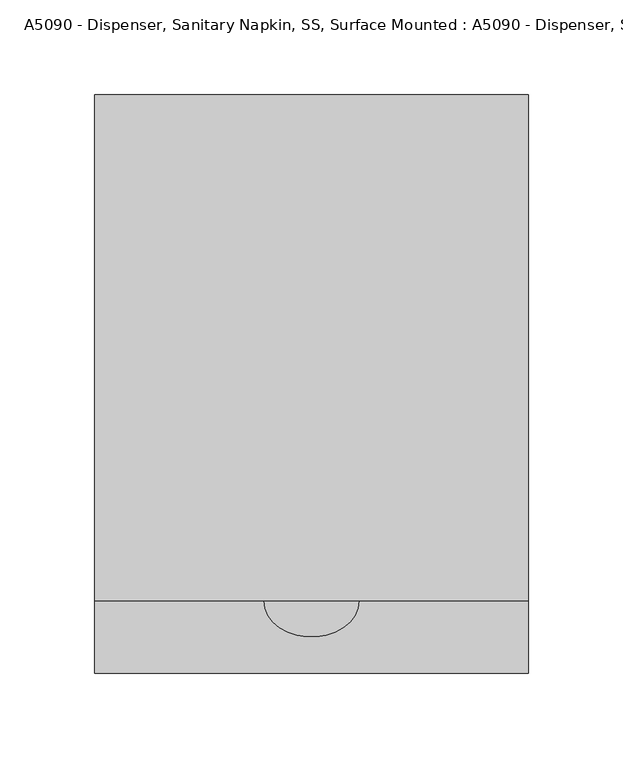
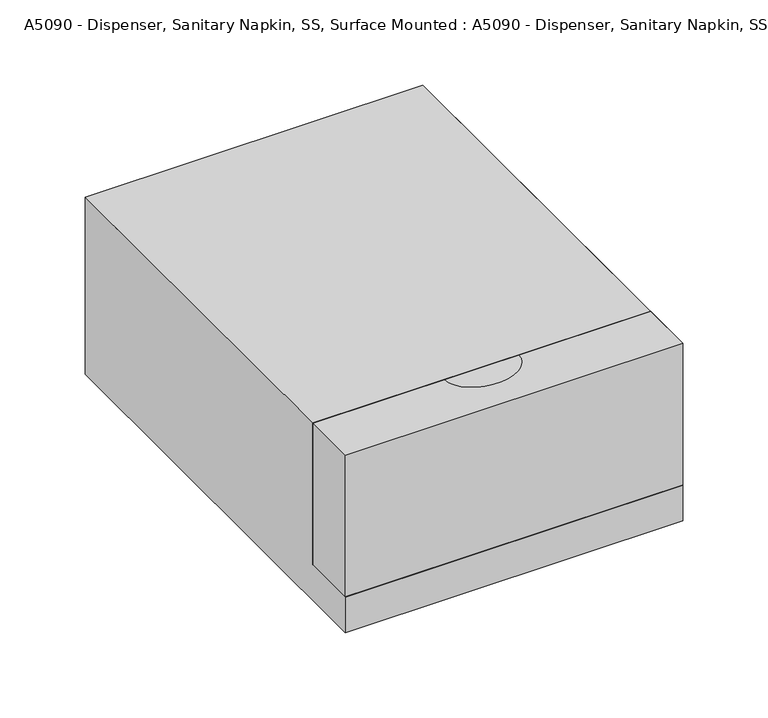
"""IFC4 building model written with IfcOpenShell, lengths in millimetres: proxy geometry, A5090 - Dispenser, Sanitary Napkin, SS, Surface Mounted : A5090 - Dispenser, Sanitary Napkin, SS, Surface Mounted."""

import ifcopenshell
import ifcopenshell.guid

model = None  # the IFC model being written
_history = None  # IfcOwnerHistory: only IFC2X3 demands one
_inside = {}  # id of a spatial element -> (the spatial element, [elements in it])
_under = {}  # id of a project, library or spatial element -> (it, [spatial elements below it])
_declared = {}  # id of a project -> (the project, [libraries it declares])
_typed = {}  # id of a type object -> (the type object, [elements of that type])
_made_of = {}  # id of a material, layer set ... -> (it, [elements and type objects made of it])


def new_model(schema):
    """Start an empty IFC model of exactly this schema.

    Asked for "IFC4X3", IfcOpenShell would pick the latest addendum, in which some entities
    have other attributes; the version numbers below select the first issue.
    IFC2X3 requires an IfcOwnerHistory on every rooted entity: one is made here for all.
    """
    global model, _history
    if schema == "IFC4X3":
        model = ifcopenshell.file(schema_version=(4, 3, 0, 0))
    else:
        model = ifcopenshell.file(schema=schema)
    _inside.clear()
    _under.clear()
    _declared.clear()
    _typed.clear()
    _made_of.clear()
    _history = None
    if model.schema == "IFC2X3":
        org = make("IfcOrganization", Name="unknown")
        user = make(
            "IfcPersonAndOrganization",
            ThePerson=make("IfcPerson", FamilyName="unknown"),
            TheOrganization=org,
        )
        app = make(
            "IfcApplication",
            ApplicationDeveloper=org,
            Version="unknown",
            ApplicationFullName="unknown",
            ApplicationIdentifier="unknown",
        )
        _history = make(
            "IfcOwnerHistory",
            OwningUser=user,
            OwningApplication=app,
            ChangeAction="ADDED",
            CreationDate=0,
        )
    return model


def make(cls, **values):
    """One entity of the class cls with the attributes given. An attribute that is None is left unset."""
    return model.create_entity(
        cls, **{name: value for name, value in values.items() if value is not None}
    )


def rooted(cls, **values):
    """An entity with a GlobalId (a new one), such as an element, a storey or a relation."""
    return make(cls, GlobalId=ifcopenshell.guid.new(), OwnerHistory=_history, **values)


def si_unit(unit_type, name, prefix=None):
    """IfcSIUnit, for example si_unit("LENGTHUNIT", "METRE", prefix="MILLI")."""
    return make("IfcSIUnit", UnitType=unit_type, Prefix=prefix, Name=name)


def assignment(units):
    """IfcUnitAssignment: the units of a project."""
    return None if units is None else make("IfcUnitAssignment", Units=units)


def point(xyz):
    """IfcCartesianPoint."""
    return None if xyz is None else make("IfcCartesianPoint", Coordinates=xyz)


def direction(xyz):
    """IfcDirection."""
    return None if xyz is None else make("IfcDirection", DirectionRatios=xyz)


def frame(location, z_axis=None, x_axis=None):
    """IfcAxis2Placement3D, a coordinate frame: its origin and axes. An axis left out is left unset."""
    return make(
        "IfcAxis2Placement3D",
        Location=point(location),
        Axis=direction(z_axis),
        RefDirection=direction(x_axis),
    )


def origin():
    """The frame at (0, 0, 0) with its axes left unset."""
    return frame((0.0, 0.0, 0.0))


def origin_with_axes():
    """The frame at (0, 0, 0) with the z axis (0, 0, 1) and the x axis (1, 0, 0) written out."""
    return frame((0.0, 0.0, 0.0), z_axis=(0.0, 0.0, 1.0), x_axis=(1.0, 0.0, 0.0))


def place(relative_to, where):
    """IfcLocalPlacement: puts the frame where relative to a parent placement (None: the world)."""
    return make(
        "IfcLocalPlacement", PlacementRelTo=relative_to, RelativePlacement=where
    )


def context(
    kind, dimensions, precision=None, world=None, true_north=None, identifier=None
):
    """IfcGeometricRepresentationContext, for example the 3D "Model" context."""
    return make(
        "IfcGeometricRepresentationContext",
        ContextIdentifier=identifier,
        ContextType=kind,
        CoordinateSpaceDimension=dimensions,
        Precision=precision,
        WorldCoordinateSystem=world,
        TrueNorth=true_north,
    )


def project(units=None, contexts=None):
    """IfcProject with its units and contexts."""
    return rooted(
        "IfcProject",
        Name="project",
        RepresentationContexts=contexts,
        UnitsInContext=assignment(units),
    )


def spatial(cls, under=None, at=None, **own):
    """A site, building, storey or space (cls), placed at a placement, below another one or the project."""
    s = rooted(cls, ObjectPlacement=at, **own)
    if under is not None:
        _under.setdefault(under.id(), (under, []))[1].append(s)
    return s


def polyline(points):
    """IfcPolyline through the points."""
    return make("IfcPolyline", Points=[point(p) for p in points])


def ellipse_curve(where, semi_axis1, semi_axis2):
    """IfcEllipse in the frame where."""
    return make(
        "IfcEllipse", Position=where, SemiAxis1=semi_axis1, SemiAxis2=semi_axis2
    )


def trimmed(basis, trim1, trim2, sense, master):
    """IfcTrimmedCurve: the piece of a basis curve between two trims."""
    return make(
        "IfcTrimmedCurve",
        BasisCurve=basis,
        Trim1=trim1,
        Trim2=trim2,
        SenseAgreement=sense,
        MasterRepresentation=master,
    )


def outline(outer, holes=None, kind="AREA"):
    """IfcArbitraryClosedProfileDef: a profile drawn as a closed curve; with holes, ...WithVoids."""
    if holes is None:
        return make("IfcArbitraryClosedProfileDef", ProfileType=kind, OuterCurve=outer)
    return make(
        "IfcArbitraryProfileDefWithVoids",
        ProfileType=kind,
        OuterCurve=outer,
        InnerCurves=holes,
    )


def extrude(swept, where, along, depth):
    """IfcExtrudedAreaSolid: the profile swept, set in the frame where, extruded along a direction by depth."""
    return make(
        "IfcExtrudedAreaSolid",
        SweptArea=swept,
        Position=where,
        ExtrudedDirection=direction(along),
        Depth=depth,
    )


def shape(context_of_items, identifier, shape_type, items):
    """IfcShapeRepresentation: the items that make up one representation, for example the "Body"."""
    return make(
        "IfcShapeRepresentation",
        ContextOfItems=context_of_items,
        RepresentationIdentifier=identifier,
        RepresentationType=shape_type,
        Items=items,
    )


def source(mapping_origin, context_of_items, identifier, shape_type, items):
    """IfcRepresentationMap: a shape defined once, which mapped items show again and again."""
    return make(
        "IfcRepresentationMap",
        MappingOrigin=mapping_origin,
        MappedRepresentation=shape(context_of_items, identifier, shape_type, items),
    )


def transform(
    local_origin,
    x_axis=None,
    y_axis=None,
    z_axis=None,
    scale=None,
    scale2=None,
    scale3=None,
    uniform=True,
):
    """IfcCartesianTransformationOperator3D, or its non-uniform kind. x_axis, y_axis, z_axis: its Axis1, 2, 3."""
    if uniform:
        return make(
            "IfcCartesianTransformationOperator3D",
            Axis1=direction(x_axis),
            Axis2=direction(y_axis),
            LocalOrigin=point(local_origin),
            Scale=scale,
            Axis3=direction(z_axis),
        )
    return make(
        "IfcCartesianTransformationOperator3DnonUniform",
        Axis1=direction(x_axis),
        Axis2=direction(y_axis),
        LocalOrigin=point(local_origin),
        Scale=scale,
        Axis3=direction(z_axis),
        Scale2=scale2,
        Scale3=scale3,
    )


def mapped(mapping_source, mapping_target):
    """IfcMappedItem: shows the shape of a source again, moved by a transform."""
    return make(
        "IfcMappedItem", MappingSource=mapping_source, MappingTarget=mapping_target
    )


def made_of(thing, what):
    """Note that an element or type object is made of a material, layer set ...; save() writes the relation."""
    if what is not None:
        _made_of.setdefault(what.id(), (what, []))[1].append(thing)
    return thing


def element(
    cls,
    number,
    at=None,
    inside=None,
    cuts=None,
    type_object=None,
    material=None,
    context=None,
    identifier="Body",
    shape_type=None,
    held_by="IfcProductDefinitionShape",
    body=None,
    shapes=None,
    **own,
):
    """One element of the class cls, such as IfcWall. Its Tag is "e" and its number.

    at: its placement. inside: the storey or other place that contains it. cuts: it is an
    opening in that element (IfcRelVoidsElement). A single representation is given by context,
    identifier, shape_type and body (its items); several are given by shapes. held_by: the class
    of the entity that holds the representations. save() writes the other relations.
    """
    e = rooted(cls, Tag="e%d" % number, ObjectPlacement=at, **own)
    if body is not None:
        shapes = [shape(context, identifier, shape_type, body)]
    if shapes is not None:
        e.Representation = make(held_by, Representations=shapes)
    if inside is not None:
        _inside.setdefault(inside.id(), (inside, []))[1].append(e)
    if cuts is not None:
        rooted(
            "IfcRelVoidsElement", RelatingBuildingElement=cuts, RelatedOpeningElement=e
        )
    if type_object is not None:
        _typed.setdefault(type_object.id(), (type_object, []))[1].append(e)
    return made_of(e, material)


def aggregate(whole, parts):
    """IfcRelAggregates: a whole, such as a stair, and the parts it consists of."""
    return rooted("IfcRelAggregates", RelatingObject=whole, RelatedObjects=parts)


def save(model, path):
    """Write the relations noted so far, then the file.

    IfcRelAggregates (storeys below a building ...), IfcRelContainedInSpatialStructure (elements
    in a storey), IfcRelDefinesByType, IfcRelAssociatesMaterial and IfcRelDeclares: one each for
    every whole, place, type object, material and project.
    """
    for whole, parts in _under.values():
        aggregate(whole, parts)
    for where, things in _inside.values():
        rooted(
            "IfcRelContainedInSpatialStructure",
            RelatedElements=things,
            RelatingStructure=where,
        )
    for kind, things in _typed.values():
        rooted("IfcRelDefinesByType", RelatedObjects=things, RelatingType=kind)
    for what, things in _made_of.values():
        rooted("IfcRelAssociatesMaterial", RelatedObjects=things, RelatingMaterial=what)
    for by, libraries in _declared.values():
        rooted("IfcRelDeclares", RelatingContext=by, RelatedDefinitions=libraries)
    model.write(path)


def plane_surface(at):
    """IfcPlane: the flat surface through the origin of the frame at, square to its z axis."""
    return make("IfcPlane", Position=at)


def extruded_surface(curve, direction_of_extrusion, depth):
    """IfcSurfaceOfLinearExtrusion: the curve pushed along a direction by depth."""
    return make(
        "IfcSurfaceOfLinearExtrusion",
        SweptCurve=make("IfcArbitraryOpenProfileDef", ProfileType="CURVE", Curve=curve),
        ExtrudedDirection=direction(direction_of_extrusion),
        Depth=depth,
    )


def advanced_brep(points, edges, surfaces, faces):
    """IfcAdvancedBrep: a solid bounded by faces that lie on surfaces and meet in shared edges.

    An edge is (start, end): straight between two places in points (the first is 0);
    or (start, end, curve); or (start, end, curve, False) where it runs against its curve.
    A face is (place in surfaces, loops), or (place, loops, False) where it looks against
    its surface's normal. A loop lists edges by number (the first is 1), with a minus sign
    where the edge is run from its end to its start. The first loop is the outer one.
    """
    corners = [point(p) for p in points]
    vertices = [make("IfcVertexPoint", VertexGeometry=c) for c in corners]
    made = []
    for start, end, *more in edges:
        made.append(
            make(
                "IfcEdgeCurve",
                EdgeStart=vertices[start],
                EdgeEnd=vertices[end],
                EdgeGeometry=more[0] if more else make("IfcPolyline", Points=[corners[start], corners[end]]),
                SameSense=more[1] if len(more) > 1 else True,
            )
        )
    hull = []
    for where, loops, *sense in faces:
        bounds = []
        for j, loop in enumerate(loops):
            ring = [make("IfcOrientedEdge", EdgeElement=made[abs(k) - 1], Orientation=k > 0) for k in loop]
            bounds.append(
                make(
                    "IfcFaceOuterBound" if j == 0 else "IfcFaceBound",
                    Bound=make("IfcEdgeLoop", EdgeList=ring),
                    Orientation=True,
                )
            )
        hull.append(make("IfcAdvancedFace", Bounds=bounds, FaceSurface=surfaces[where], SameSense=sense[0] if sense else True))
    return make("IfcAdvancedBrep", Outer=make("IfcClosedShell", CfsFaces=hull))


def a5090_dispenser_sanitary_napkin_ss_surface_mounted_a5090_b2da7b39(model_context):
    return source(origin(), model_context, "Body", "SolidModel", [
        extrude(outline(polyline([(0.0, 127.0), (0.0, 0.0), (-304.8, 0.0), (-304.8, 25.4), (-266.7, 25.4), (-266.7, 127.0), (0.0, 127.0)])), frame((-114.3, 0.0, 0.0), z_axis=(1.0, 0.0, 0.0), x_axis=(0.0, 1.0, 0.0)), (0.0, 0.0, 1.0), 228.6),
        advanced_brep(
        [(114.3, -304.8, 127.0), (114.3, -266.7, 127.0), (25.4, -266.7, 127.0), (-25.4, -266.7, 127.0), (-114.3, -266.7, 127.0), (-114.3, -304.8, 127.0), (114.3, -304.8, 25.4), (-114.3, -304.8, 25.4), (-114.3, -266.7, 25.4), (-25.4, -266.7, 25.4), (25.4, -266.7, 25.4), (114.3, -266.7, 25.4)],
        [
            (0, 1),
            (1, 2),
            (2, 3, ellipse_curve(frame((0.0, -266.7, 127.0), z_axis=(0.0, 0.0, -1.0), x_axis=(1.0, 0.0, 0.0)), 25.4, 19.05)),
            (3, 4),
            (4, 5),
            (5, 0),
            (6, 7),
            (7, 8),
            (8, 9),
            (9, 10, ellipse_curve(frame((0.0, -266.7, 25.4), z_axis=(0.0, 0.0, 1.0), x_axis=(1.0, 0.0, 0.0)), 25.4, 19.05)),
            (10, 11),
            (11, 6),
            (5, 7),
            (6, 0),
            (4, 8),
            (3, 9),
            (2, 10),
            (1, 11),
        ],
        [
            plane_surface(frame((-114.3, -304.8, 127.0), z_axis=(0.0, 0.0, 1.0), x_axis=(-1.0, 0.0, 0.0))),
            plane_surface(frame((-114.3, -304.8, 25.4), z_axis=(0.0, 0.0, -1.0), x_axis=(1.0, 0.0, 0.0))),
            plane_surface(frame((114.3, -304.8, 127.0), z_axis=(0.0, -1.0, 0.0), x_axis=(0.0, 0.0, -1.0))),
            plane_surface(frame((-114.3, -304.8, 127.0), z_axis=(-1.0, 0.0, 0.0), x_axis=(0.0, 0.0, -1.0))),
            plane_surface(frame((-114.3, -266.7, 127.0), z_axis=(0.0, 1.0, 0.0), x_axis=(0.0, 0.0, -1.0))),
            extruded_surface(trimmed(ellipse_curve(frame((0.0, -266.7, 25.4), z_axis=(0.0, 0.0, 1.0), x_axis=(1.0, 0.0, 0.0)), 25.4, 19.05), [point((-25.4, -266.7, 25.4))], [point((25.4, -266.7, 25.4))], True, "CARTESIAN"), (0.0, 0.0, -101.6), 101.6),
            plane_surface(frame((25.4, -266.7, 127.0), z_axis=(0.0, 1.0, 0.0), x_axis=(0.0, 0.0, -1.0))),
            plane_surface(frame((114.3, -266.7, 127.0), z_axis=(1.0, 0.0, 0.0), x_axis=(0.0, 0.0, -1.0))),
        ],
        [
            (0, [[1, 2, 3, 4, 5, 6]]),
            (1, [[7, 8, 9, 10, 11, 12]]),
            (2, [[13, -7, 14, -6]]),
            (3, [[15, -8, -13, -5]]),
            (4, [[16, -9, -15, -4]]),
            (5, [[17, -10, -16, -3]]),
            (6, [[18, -11, -17, -2]]),
            (7, [[-14, -12, -18, -1]]),
        ],
    ),
        extrude(outline(polyline([(114.3, -304.8), (-114.3, -304.8), (-114.3, 0.0), (114.3, 0.0), (114.3, -304.8)])), origin_with_axes(), (0.0, 0.0, 1.0), 127.0),
    ])


if __name__ == "__main__":
    model = new_model("IFC4")
    model_context = context("Model", 3, world=origin())
    ifc_project = project(units=[si_unit("LENGTHUNIT", "METRE", prefix="MILLI")], contexts=[model_context])
    site = spatial("IfcSite", under=ifc_project)
    building = spatial("IfcBuilding", under=site)
    placement = place(None, origin())
    a5090_dispenser_sanitary_napkin_ss_surface_mounted_a5090_shape = a5090_dispenser_sanitary_napkin_ss_surface_mounted_a5090_b2da7b39(model_context)
    element("IfcBuildingElementProxy", 1, Name="A5090 - Dispenser, Sanitary Napkin, SS, Surface Mounted : A5090 - Dispenser, Sanitary Napkin, SS, Surface Mounted", ObjectType="A5090 - Dispenser, Sanitary Napkin, SS, Surface Mounted : A5090 - Dispenser, Sanitary Napkin, SS, Surface Mounted", at=placement, inside=building, context=model_context, shape_type="MappedRepresentation", body=[
        mapped(a5090_dispenser_sanitary_napkin_ss_surface_mounted_a5090_shape, transform((0.0, 0.0, 0.0), x_axis=(1.0, 0.0, 0.0), y_axis=(0.0, 1.0, 0.0), z_axis=(0.0, 0.0, 1.0))),
    ])
    save(model, "model.ifc")
